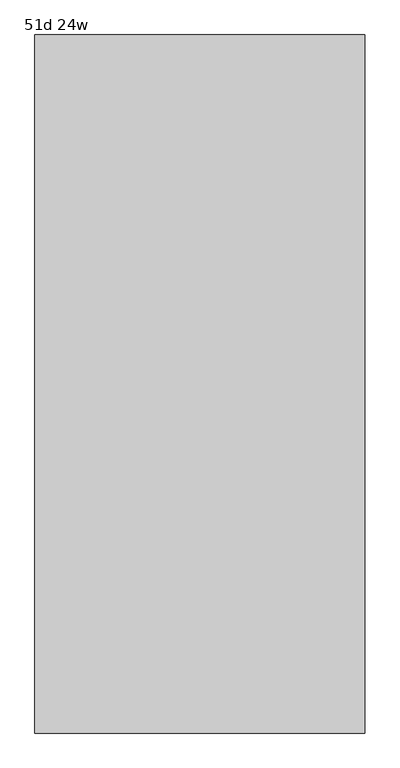
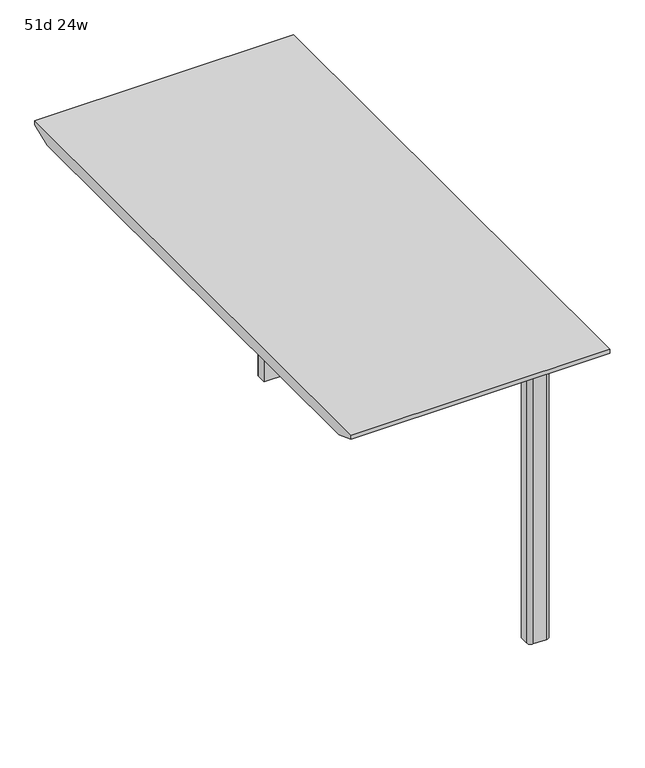
"""IFC4 building model written with IfcOpenShell, lengths in millimetres: furniture geometry, 51d 24w."""

import ifcopenshell
import ifcopenshell.guid

model = None  # the IFC model being written
_history = None  # IfcOwnerHistory: only IFC2X3 demands one
_inside = {}  # id of a spatial element -> (the spatial element, [elements in it])
_under = {}  # id of a project, library or spatial element -> (it, [spatial elements below it])
_declared = {}  # id of a project -> (the project, [libraries it declares])
_typed = {}  # id of a type object -> (the type object, [elements of that type])
_made_of = {}  # id of a material, layer set ... -> (it, [elements and type objects made of it])


def new_model(schema):
    """Start an empty IFC model of exactly this schema.

    Asked for "IFC4X3", IfcOpenShell would pick the latest addendum, in which some entities
    have other attributes; the version numbers below select the first issue.
    IFC2X3 requires an IfcOwnerHistory on every rooted entity: one is made here for all.
    """
    global model, _history
    if schema == "IFC4X3":
        model = ifcopenshell.file(schema_version=(4, 3, 0, 0))
    else:
        model = ifcopenshell.file(schema=schema)
    _inside.clear()
    _under.clear()
    _declared.clear()
    _typed.clear()
    _made_of.clear()
    _history = None
    if model.schema == "IFC2X3":
        org = make("IfcOrganization", Name="unknown")
        user = make(
            "IfcPersonAndOrganization",
            ThePerson=make("IfcPerson", FamilyName="unknown"),
            TheOrganization=org,
        )
        app = make(
            "IfcApplication",
            ApplicationDeveloper=org,
            Version="unknown",
            ApplicationFullName="unknown",
            ApplicationIdentifier="unknown",
        )
        _history = make(
            "IfcOwnerHistory",
            OwningUser=user,
            OwningApplication=app,
            ChangeAction="ADDED",
            CreationDate=0,
        )
    return model


def make(cls, **values):
    """One entity of the class cls with the attributes given. An attribute that is None is left unset."""
    return model.create_entity(
        cls, **{name: value for name, value in values.items() if value is not None}
    )


def rooted(cls, **values):
    """An entity with a GlobalId (a new one), such as an element, a storey or a relation."""
    return make(cls, GlobalId=ifcopenshell.guid.new(), OwnerHistory=_history, **values)


def si_unit(unit_type, name, prefix=None):
    """IfcSIUnit, for example si_unit("LENGTHUNIT", "METRE", prefix="MILLI")."""
    return make("IfcSIUnit", UnitType=unit_type, Prefix=prefix, Name=name)


def assignment(units):
    """IfcUnitAssignment: the units of a project."""
    return None if units is None else make("IfcUnitAssignment", Units=units)


def point(xyz):
    """IfcCartesianPoint."""
    return None if xyz is None else make("IfcCartesianPoint", Coordinates=xyz)


def direction(xyz):
    """IfcDirection."""
    return None if xyz is None else make("IfcDirection", DirectionRatios=xyz)


def frame(location, z_axis=None, x_axis=None):
    """IfcAxis2Placement3D, a coordinate frame: its origin and axes. An axis left out is left unset."""
    return make(
        "IfcAxis2Placement3D",
        Location=point(location),
        Axis=direction(z_axis),
        RefDirection=direction(x_axis),
    )


def frame_2d(location, x_axis=None):
    """IfcAxis2Placement2D, a coordinate frame in the plane: its origin and x axis."""
    return make(
        "IfcAxis2Placement2D", Location=point(location), RefDirection=direction(x_axis)
    )


def origin():
    """The frame at (0, 0, 0) with its axes left unset."""
    return frame((0.0, 0.0, 0.0))


def origin_with_axes():
    """The frame at (0, 0, 0) with the z axis (0, 0, 1) and the x axis (1, 0, 0) written out."""
    return frame((0.0, 0.0, 0.0), z_axis=(0.0, 0.0, 1.0), x_axis=(1.0, 0.0, 0.0))


def place(relative_to, where):
    """IfcLocalPlacement: puts the frame where relative to a parent placement (None: the world)."""
    return make(
        "IfcLocalPlacement", PlacementRelTo=relative_to, RelativePlacement=where
    )


def context(
    kind, dimensions, precision=None, world=None, true_north=None, identifier=None
):
    """IfcGeometricRepresentationContext, for example the 3D "Model" context."""
    return make(
        "IfcGeometricRepresentationContext",
        ContextIdentifier=identifier,
        ContextType=kind,
        CoordinateSpaceDimension=dimensions,
        Precision=precision,
        WorldCoordinateSystem=world,
        TrueNorth=true_north,
    )


def project(units=None, contexts=None):
    """IfcProject with its units and contexts."""
    return rooted(
        "IfcProject",
        Name="project",
        RepresentationContexts=contexts,
        UnitsInContext=assignment(units),
    )


def spatial(cls, under=None, at=None, **own):
    """A site, building, storey or space (cls), placed at a placement, below another one or the project."""
    s = rooted(cls, ObjectPlacement=at, **own)
    if under is not None:
        _under.setdefault(under.id(), (under, []))[1].append(s)
    return s


def polyline(points):
    """IfcPolyline through the points."""
    return make("IfcPolyline", Points=[point(p) for p in points])


def circle_curve(where, radius):
    """IfcCircle in the frame where."""
    return make("IfcCircle", Position=where, Radius=radius)


def trimmed(basis, trim1, trim2, sense, master):
    """IfcTrimmedCurve: the piece of a basis curve between two trims."""
    return make(
        "IfcTrimmedCurve",
        BasisCurve=basis,
        Trim1=trim1,
        Trim2=trim2,
        SenseAgreement=sense,
        MasterRepresentation=master,
    )


def segment(curve, same_sense, transition):
    """IfcCompositeCurveSegment."""
    return make(
        "IfcCompositeCurveSegment",
        Transition=transition,
        SameSense=same_sense,
        ParentCurve=curve,
    )


def composite_curve(segments, self_intersect=None):
    """IfcCompositeCurve: segments joined end to end."""
    return make("IfcCompositeCurve", Segments=segments, SelfIntersect=self_intersect)


def outline(outer, holes=None, kind="AREA"):
    """IfcArbitraryClosedProfileDef: a profile drawn as a closed curve; with holes, ...WithVoids."""
    if holes is None:
        return make("IfcArbitraryClosedProfileDef", ProfileType=kind, OuterCurve=outer)
    return make(
        "IfcArbitraryProfileDefWithVoids",
        ProfileType=kind,
        OuterCurve=outer,
        InnerCurves=holes,
    )


def extrude(swept, where, along, depth):
    """IfcExtrudedAreaSolid: the profile swept, set in the frame where, extruded along a direction by depth."""
    return make(
        "IfcExtrudedAreaSolid",
        SweptArea=swept,
        Position=where,
        ExtrudedDirection=direction(along),
        Depth=depth,
    )


def faces_of(points, faces, orient=None, outer=None):
    """IfcFace entities. A face is a list of loops; a loop is a list of indices into points, from 0.

    orient and outer hold one flag for each loop. By default every Orientation is true, the
    first loop of a face is its IfcFaceOuterBound and the others are IfcFaceBound.
    """
    made = []
    for i, loops in enumerate(faces):
        bounds = []
        for j, loop in enumerate(loops):
            is_outer = j == 0 if outer is None else outer[i][j]
            bounds.append(
                make(
                    "IfcFaceOuterBound" if is_outer else "IfcFaceBound",
                    Bound=make("IfcPolyLoop", Polygon=[points[k] for k in loop]),
                    Orientation=True if orient is None else orient[i][j],
                )
            )
        made.append(make("IfcFace", Bounds=bounds))
    return made


def faceted_brep(points, faces, orient=None, outer=None, voids=None):
    """IfcFacetedBrep: a solid bounded by flat faces; with voids (closed shells), ...WithVoids."""
    shared = [point(p) for p in points]
    hull = make("IfcClosedShell", CfsFaces=faces_of(shared, faces, orient, outer))
    if voids is None:
        return make("IfcFacetedBrep", Outer=hull)
    return make(
        "IfcFacetedBrepWithVoids",
        Outer=hull,
        Voids=[
            make(cls, CfsFaces=faces_of(shared, fs, o, b)) for cls, fs, o, b in voids
        ],
    )


def shape(context_of_items, identifier, shape_type, items):
    """IfcShapeRepresentation: the items that make up one representation, for example the "Body"."""
    return make(
        "IfcShapeRepresentation",
        ContextOfItems=context_of_items,
        RepresentationIdentifier=identifier,
        RepresentationType=shape_type,
        Items=items,
    )


def source(mapping_origin, context_of_items, identifier, shape_type, items):
    """IfcRepresentationMap: a shape defined once, which mapped items show again and again."""
    return make(
        "IfcRepresentationMap",
        MappingOrigin=mapping_origin,
        MappedRepresentation=shape(context_of_items, identifier, shape_type, items),
    )


def transform(
    local_origin,
    x_axis=None,
    y_axis=None,
    z_axis=None,
    scale=None,
    scale2=None,
    scale3=None,
    uniform=True,
):
    """IfcCartesianTransformationOperator3D, or its non-uniform kind. x_axis, y_axis, z_axis: its Axis1, 2, 3."""
    if uniform:
        return make(
            "IfcCartesianTransformationOperator3D",
            Axis1=direction(x_axis),
            Axis2=direction(y_axis),
            LocalOrigin=point(local_origin),
            Scale=scale,
            Axis3=direction(z_axis),
        )
    return make(
        "IfcCartesianTransformationOperator3DnonUniform",
        Axis1=direction(x_axis),
        Axis2=direction(y_axis),
        LocalOrigin=point(local_origin),
        Scale=scale,
        Axis3=direction(z_axis),
        Scale2=scale2,
        Scale3=scale3,
    )


def mapped(mapping_source, mapping_target):
    """IfcMappedItem: shows the shape of a source again, moved by a transform."""
    return make(
        "IfcMappedItem", MappingSource=mapping_source, MappingTarget=mapping_target
    )


def made_of(thing, what):
    """Note that an element or type object is made of a material, layer set ...; save() writes the relation."""
    if what is not None:
        _made_of.setdefault(what.id(), (what, []))[1].append(thing)
    return thing


def element(
    cls,
    number,
    at=None,
    inside=None,
    cuts=None,
    type_object=None,
    material=None,
    context=None,
    identifier="Body",
    shape_type=None,
    held_by="IfcProductDefinitionShape",
    body=None,
    shapes=None,
    **own,
):
    """One element of the class cls, such as IfcWall. Its Tag is "e" and its number.

    at: its placement. inside: the storey or other place that contains it. cuts: it is an
    opening in that element (IfcRelVoidsElement). A single representation is given by context,
    identifier, shape_type and body (its items); several are given by shapes. held_by: the class
    of the entity that holds the representations. save() writes the other relations.
    """
    e = rooted(cls, Tag="e%d" % number, ObjectPlacement=at, **own)
    if body is not None:
        shapes = [shape(context, identifier, shape_type, body)]
    if shapes is not None:
        e.Representation = make(held_by, Representations=shapes)
    if inside is not None:
        _inside.setdefault(inside.id(), (inside, []))[1].append(e)
    if cuts is not None:
        rooted(
            "IfcRelVoidsElement", RelatingBuildingElement=cuts, RelatedOpeningElement=e
        )
    if type_object is not None:
        _typed.setdefault(type_object.id(), (type_object, []))[1].append(e)
    return made_of(e, material)


def aggregate(whole, parts):
    """IfcRelAggregates: a whole, such as a stair, and the parts it consists of."""
    return rooted("IfcRelAggregates", RelatingObject=whole, RelatedObjects=parts)


def save(model, path):
    """Write the relations noted so far, then the file.

    IfcRelAggregates (storeys below a building ...), IfcRelContainedInSpatialStructure (elements
    in a storey), IfcRelDefinesByType, IfcRelAssociatesMaterial and IfcRelDeclares: one each for
    every whole, place, type object, material and project.
    """
    for whole, parts in _under.values():
        aggregate(whole, parts)
    for where, things in _inside.values():
        rooted(
            "IfcRelContainedInSpatialStructure",
            RelatedElements=things,
            RelatingStructure=where,
        )
    for kind, things in _typed.values():
        rooted("IfcRelDefinesByType", RelatedObjects=things, RelatingType=kind)
    for what, things in _made_of.values():
        rooted("IfcRelAssociatesMaterial", RelatedObjects=things, RelatingMaterial=what)
    for by, libraries in _declared.values():
        rooted("IfcRelDeclares", RelatingContext=by, RelatedDefinitions=libraries)
    model.write(path)


def furniture_51d_24w_69361bce(model_context):
    return source(origin(), model_context, "Body", "SolidModel", [
        extrude(outline(composite_curve([segment(polyline([(431.8, -320.4034766), (381.0, -320.4034766), (381.0, -298.1784766)]), True, "CONTINUOUS"), segment(trimmed(circle_curve(frame_2d((390.525, -298.1784766)), 9.525), [point((381.0, -298.1784766))], [point((390.525, -288.6534766))], False, "CARTESIAN"), True, "CONTINUOUS"), segment(polyline([(390.525, -288.6534766), (422.275, -288.6534766)]), True, "CONTINUOUS"), segment(trimmed(circle_curve(frame_2d((422.275, -298.1784766)), 9.525), [point((422.275, -288.6534766))], [point((431.8, -298.1784766))], False, "CARTESIAN"), True, "CONTINUOUS"), segment(polyline([(431.8, -298.1784766), (431.8, -320.4034766)]), True, "CONTINUOUS")], self_intersect=False)), origin_with_axes(), (0.0, 0.0, 1.0), 711.2),
        extrude(outline(composite_curve([segment(polyline([(431.8, -1369.7409766), (431.8, -1391.9659766)]), True, "CONTINUOUS"), segment(trimmed(circle_curve(frame_2d((422.275, -1391.9659766)), 9.525), [point((431.8, -1391.9659766))], [point((422.275, -1401.4909766))], False, "CARTESIAN"), True, "CONTINUOUS"), segment(polyline([(422.275, -1401.4909766), (390.525, -1401.4909766)]), True, "CONTINUOUS"), segment(trimmed(circle_curve(frame_2d((390.525, -1391.9659766)), 9.525), [point((390.525, -1401.4909766))], [point((381.0, -1391.9659766))], False, "CARTESIAN"), True, "CONTINUOUS"), segment(polyline([(381.0, -1391.9659766), (381.0, -1369.7409766), (431.8, -1369.7409766)]), True, "CONTINUOUS")], self_intersect=False)), origin_with_axes(), (0.0, 0.0, 1.0), 711.2),
        faceted_brep([(520.7, -199.7534766, 741.3625), (-88.9, -199.7534766, 741.3625), (-88.9, -1490.3909766, 741.3625), (520.7, -1490.3909766, 741.3625), (-88.9, -1439.5909766, 711.2), (-88.9, -250.5534766, 711.2), (469.9, -250.5534766, 711.2), (469.9, -1439.5909766, 711.2), (520.7, -199.7534766, 731.8375), (-88.9, -199.7534766, 731.8375), (-88.9, -1490.3909766, 731.8375), (520.7, -1490.3909766, 731.8375)], [[[0, 1, 2, 3]], [[4, 5, 6, 7]], [[1, 0, 8, 9]], [[2, 1, 9, 5, 4, 10]], [[3, 2, 10, 11]], [[0, 3, 11, 8]], [[10, 4, 7, 11]], [[9, 8, 6, 5]], [[7, 6, 8, 11]]]),
    ])


if __name__ == "__main__":
    model = new_model("IFC4")
    model_context = context("Model", 3, world=origin())
    ifc_project = project(units=[si_unit("LENGTHUNIT", "METRE", prefix="MILLI")], contexts=[model_context])
    site = spatial("IfcSite", under=ifc_project)
    building = spatial("IfcBuilding", under=site)
    placement = place(None, origin())
    furniture_51d_24w_shape = furniture_51d_24w_69361bce(model_context)
    element("IfcFurniture", 1, ObjectType="51d 24w", at=placement, inside=building, context=model_context, shape_type="MappedRepresentation", body=[
        mapped(furniture_51d_24w_shape, transform((0.0, 0.0, 0.0), x_axis=(1.0, 0.0, 0.0), y_axis=(0.0, 1.0, 0.0), z_axis=(0.0, 0.0, 1.0))),
    ])
    save(model, "model.ifc")
